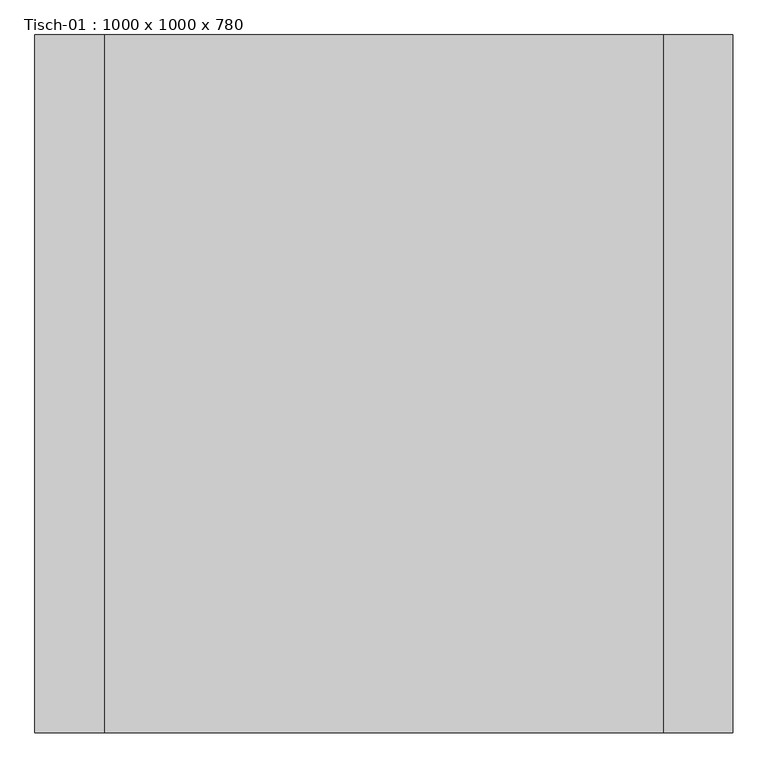
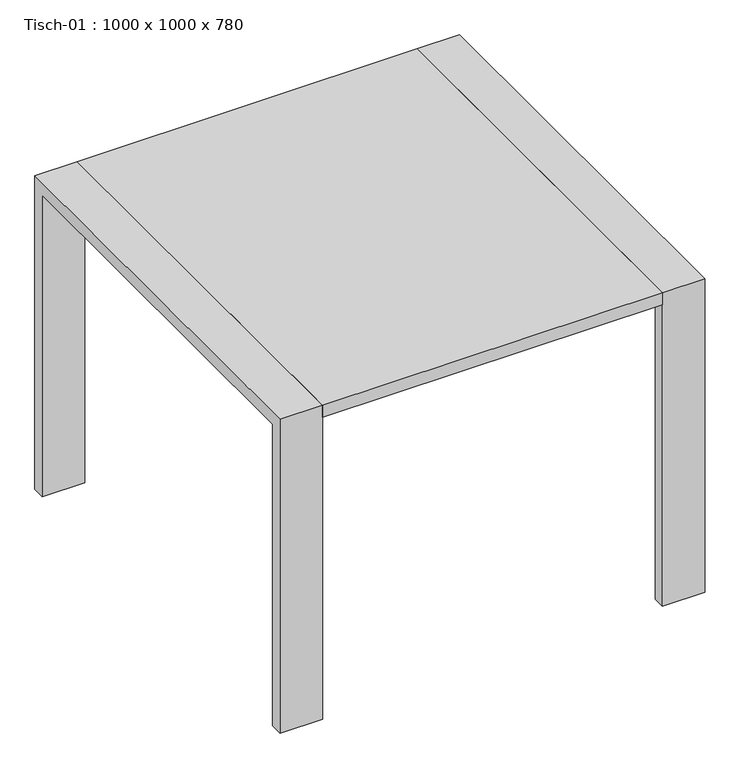
"""IFC4 building model written with IfcOpenShell, lengths in millimetres: furniture geometry, Tisch-01 : 1000 x 1000 x 780."""

from ifc_helpers import new_model, si_unit, frame, origin, place, context, project, spatial, polyline, outline, extrude, source, transform, mapped, element, save


def tisch_01_1000_x_1000_x_780_9d42b340(model_context):
    return source(origin(), model_context, "Body", "SweptSolid", [
        extrude(outline(polyline([(244.6852459, 319.2852459), (244.6852459, -680.7147541), (-555.3147541, -680.7147541), (-555.3147541, 319.2852459), (244.6852459, 319.2852459)])), frame((0.0, 0.0, 750.0), z_axis=(0.0, 0.0, 1.0), x_axis=(1.0, 0.0, 0.0)), (0.0, 0.0, 1.0), 30.0),
        extrude(outline(polyline([(-680.7147541, 780.0), (319.2852459, 780.0), (319.2852459, 0.0), (289.2852459, 0.0), (289.2852459, 750.0), (-650.7147541, 750.0), (-650.7147541, 0.0), (-680.7147541, 0.0), (-680.7147541, 780.0)])), frame((-655.3147541, 0.0, 0.0), z_axis=(1.0, 0.0, 0.0), x_axis=(0.0, 1.0, 0.0)), (0.0, 0.0, 1.0), 100.0),
        extrude(outline(polyline([(-680.7147541, 780.0), (319.2852459, 780.0), (319.2852459, 0.0), (289.2852459, 0.0), (289.2852459, 750.0), (-650.7147541, 750.0), (-650.7147541, 0.0), (-680.7147541, 0.0), (-680.7147541, 780.0)])), frame((244.6852459, 0.0, 0.0), z_axis=(1.0, 0.0, 0.0), x_axis=(0.0, 1.0, 0.0)), (0.0, 0.0, 1.0), 100.0),
    ])


if __name__ == "__main__":
    model = new_model("IFC4")
    model_context = context("Model", 3, world=origin())
    ifc_project = project(units=[si_unit("LENGTHUNIT", "METRE", prefix="MILLI")], contexts=[model_context])
    site = spatial("IfcSite", under=ifc_project)
    building = spatial("IfcBuilding", under=site)
    placement = place(None, origin())
    tisch_01_1000_x_1000_x_780_shape = tisch_01_1000_x_1000_x_780_9d42b340(model_context)
    element("IfcFurniture", 1, ObjectType="Tisch-01 : 1000 x 1000 x 780", at=placement, inside=building, context=model_context, shape_type="MappedRepresentation", body=[
        mapped(tisch_01_1000_x_1000_x_780_shape, transform((0.0, 0.0, 0.0), x_axis=(1.0, 0.0, 0.0), y_axis=(0.0, 1.0, 0.0), z_axis=(0.0, 0.0, 1.0))),
    ])
    save(model, "model.ifc")
